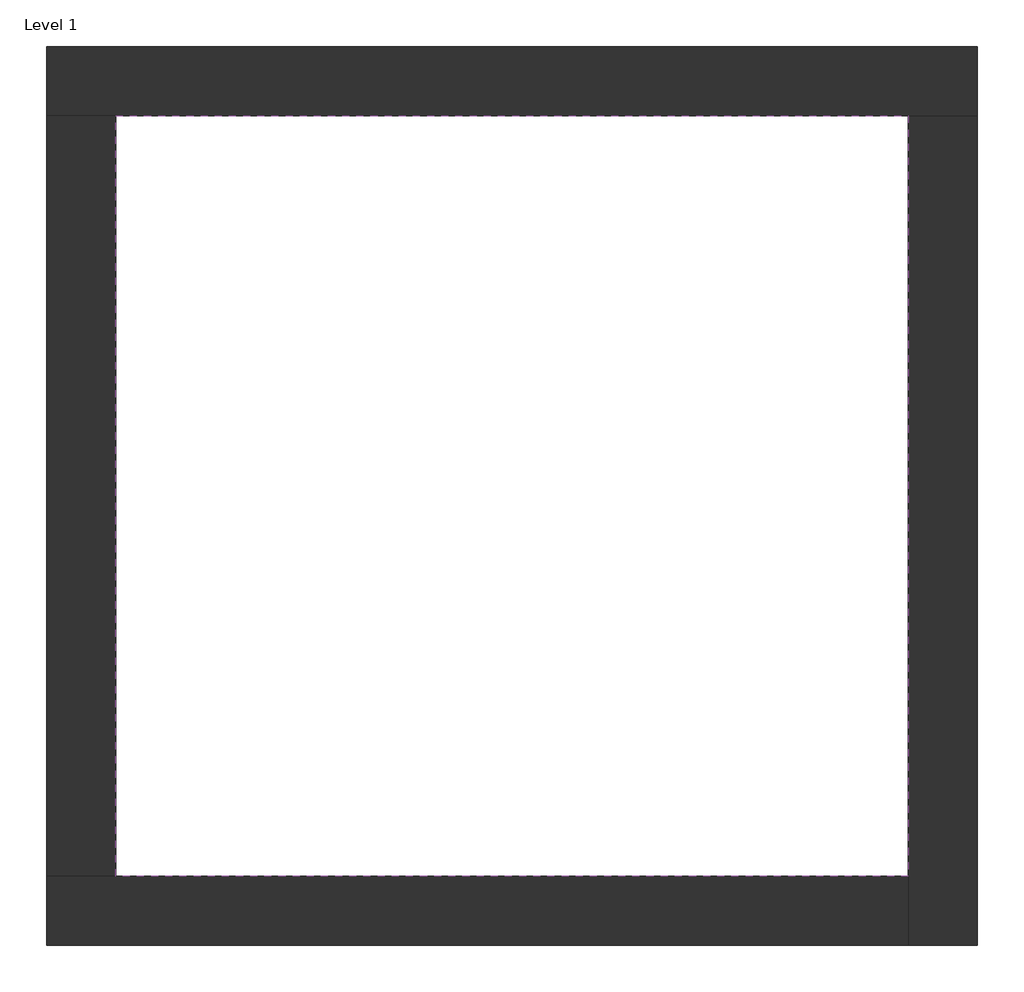
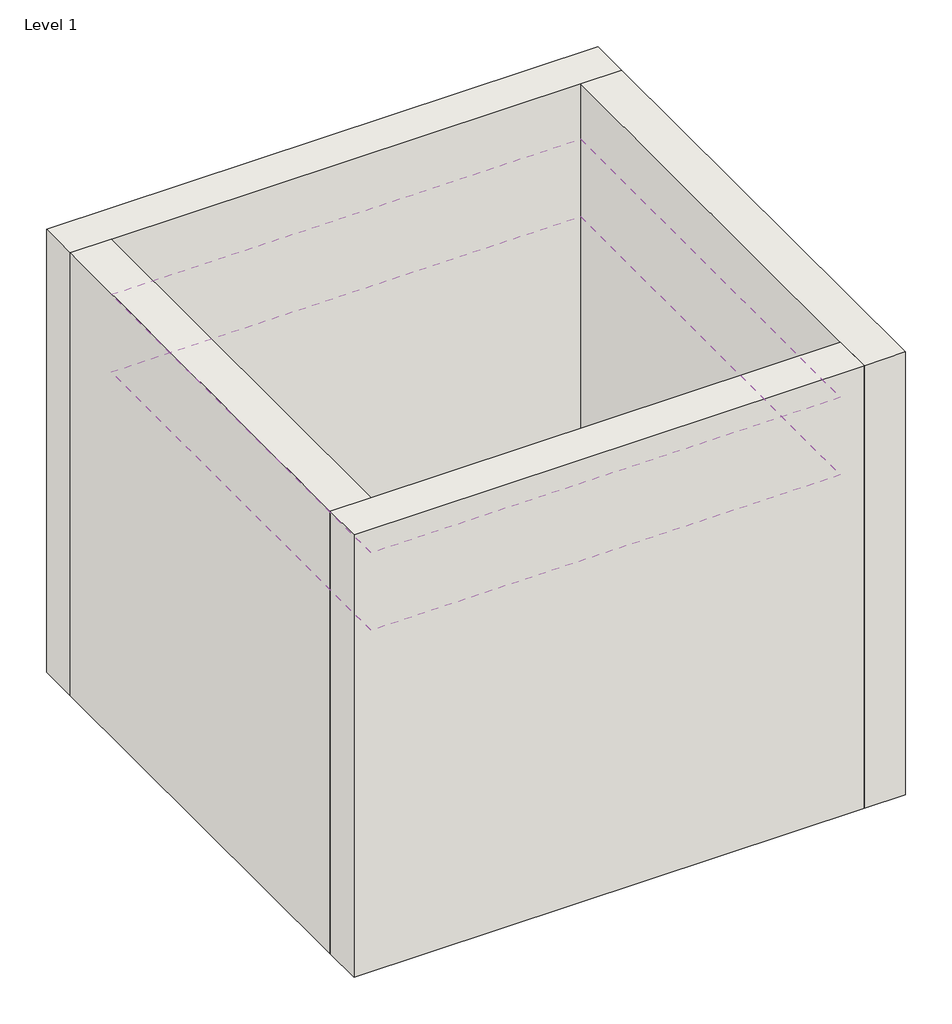
# One storey: 4 walls, 2 coverings.
"""IFC4 building model written with IfcOpenShell, lengths in millimetres."""

from ifc_helpers import new_model, si_unit, frame, origin, origin_with_axes, place, context, project, spatial, polyline, outline, extrude, faceted_brep, element, save

model = new_model("IFC4")

# Units and contexts
model_context = context("Model", 3, world=origin())
ifc_project = project(units=[si_unit("LENGTHUNIT", "METRE", prefix="MILLI")], contexts=[model_context])

# Site, building, storey
site = spatial("IfcSite", under=ifc_project)
building = spatial("IfcBuilding", under=site)
storey = spatial("IfcBuildingStorey", under=building, Name="Level 1", Elevation=0.0)

# Coverings
placement = place(None, origin())
element("IfcCovering", 1, at=placement, inside=storey, context=model_context, shape_type="SweptSolid", body=[
    extrude(outline(polyline([(-14894.8573003, 6921.2750283), (-10882.3573003, 6921.2750283), (-10882.3573003, 3071.2750283), (-14894.8573003, 3071.2750283), (-14894.8573003, 6921.2750283)])), frame((0.0, 0.0, 3500.0), z_axis=(0.0, 0.0, 1.0), x_axis=(1.0, 0.0, 0.0)), (0.0, 0.0, 1.0), 359.0),
])
element("IfcCovering", 2, at=placement, inside=storey, context=model_context, shape_type="SweptSolid", body=[
    extrude(outline(polyline([(-14894.8573003, 6921.2750283), (-10882.3573003, 6921.2750283), (-10882.3573003, 3071.2750283), (-14894.8573003, 3071.2750283), (-14894.8573003, 6921.2750283)])), frame((0.0, 0.0, 2800.0), z_axis=(0.0, 0.0, 1.0), x_axis=(1.0, 0.0, 0.0)), (0.0, 0.0, 1.0), 359.0),
])

# Walls
element("IfcWall", 3, ObjectType="Exterior - Brick on Mtl. Stud", at=placement, inside=storey, context=model_context, shape_type="Brep", body=[
    faceted_brep([(-15244.8573003, 6921.2750283, 0.0), (-14894.8573003, 6921.2750283, 0.0), (-10882.3573003, 6921.2750283, 0.0), (-10532.3573003, 6921.2750283, 0.0), (-10532.3573003, 6921.2750283, 4000.0), (-10882.3573003, 6921.2750283, 4000.0), (-14894.8573003, 6921.2750283, 4000.0), (-15244.8573003, 6921.2750283, 4000.0), (-15244.8573003, 7271.2750283, 0.0), (-15244.8573003, 7271.2750283, 4000.0), (-10532.3573003, 7271.2750283, 4000.0), (-10532.3573003, 7271.2750283, 0.0)], [[[0, 1, 2, 3, 4, 5, 6, 7]], [[8, 9, 10, 11]], [[3, 2, 1, 0, 8, 11]], [[7, 6, 5, 4, 10, 9]], [[0, 7, 9, 8]], [[4, 3, 11, 10]]]),
])
element("IfcWall", 4, ObjectType="Exterior - Brick on Mtl. Stud", at=placement, inside=storey, context=model_context, shape_type="Brep", body=[
    faceted_brep([(-10882.3573003, 6921.2750283, 0.0), (-10882.3573003, 3071.2750283, 0.0), (-10882.3573003, 2721.2750283, 0.0), (-10882.3573003, 2721.2750283, 4000.0), (-10882.3573003, 3071.2750283, 4000.0), (-10882.3573003, 6921.2750283, 4000.0), (-10532.3573003, 6921.2750283, 0.0), (-10532.3573003, 6921.2750283, 4000.0), (-10532.3573003, 2721.2750283, 4000.0), (-10532.3573003, 2721.2750283, 0.0)], [[[0, 1, 2, 3, 4, 5]], [[6, 7, 8, 9]], [[2, 1, 0, 6, 9]], [[5, 4, 3, 8, 7]], [[3, 2, 9, 8]], [[0, 5, 7, 6]]]),
])
element("IfcWall", 5, ObjectType="Exterior - Brick on Mtl. Stud", at=placement, inside=storey, context=model_context, shape_type="Brep", body=[
    faceted_brep([(-10882.3573003, 3071.2750283, 0.0), (-14894.8573003, 3071.2750283, 0.0), (-15244.8573003, 3071.2750283, 0.0), (-15244.8573003, 3071.2750283, 4000.0), (-14894.8573003, 3071.2750283, 4000.0), (-10882.3573003, 3071.2750283, 4000.0), (-10882.3573003, 2721.2750283, 0.0), (-10882.3573003, 2721.2750283, 4000.0), (-15244.8573003, 2721.2750283, 4000.0), (-15244.8573003, 2721.2750283, 0.0)], [[[0, 1, 2, 3, 4, 5]], [[6, 7, 8, 9]], [[2, 1, 0, 6, 9]], [[5, 4, 3, 8, 7]], [[3, 2, 9, 8]], [[0, 5, 7, 6]]]),
])
element("IfcWall", 6, ObjectType="Exterior - Brick on Mtl. Stud", at=placement, inside=storey, context=model_context, shape_type="SweptSolid", body=[
    extrude(outline(polyline([(-14894.8573003, 6921.2750283), (-14894.8573003, 3071.2750283), (-15244.8573003, 3071.2750283), (-15244.8573003, 6921.2750283), (-14894.8573003, 6921.2750283)])), origin_with_axes(), (0.0, 0.0, 1.0), 4000.0),
])

save(model, "model.ifc")
